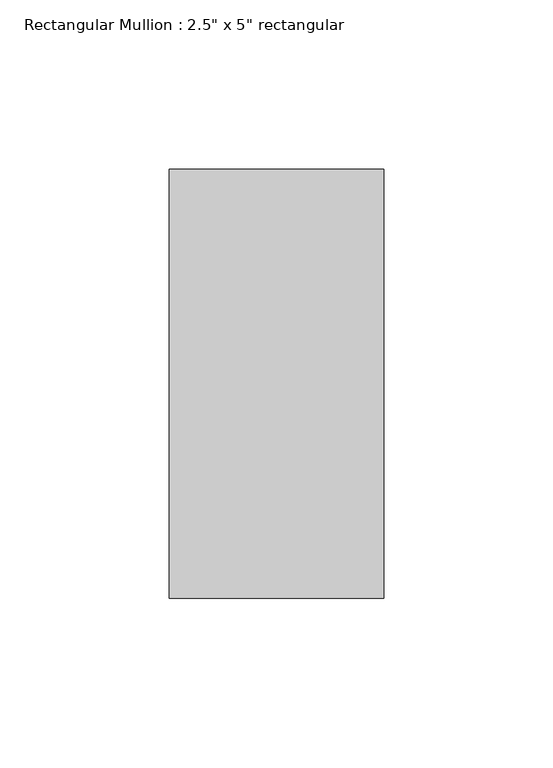
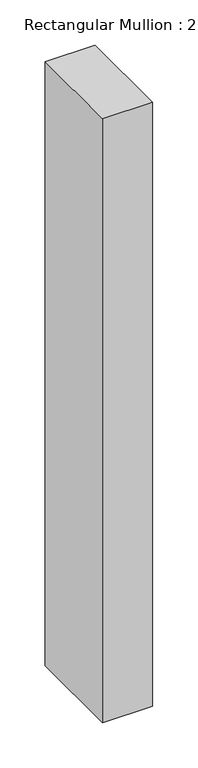
"""IFC4 building model written with IfcOpenShell, lengths in millimetres: member geometry."""

from ifc_helpers import new_model, si_unit, frame, origin, place, context, project, spatial, polyline, outline, extrude, source, transform, mapped, element, save


def member_8bafda4c(model_context):
    return source(origin(), model_context, "Body", "SweptSolid", [
        extrude(outline(polyline([(31.75, 63.5), (31.75, -63.5), (-31.75, -63.5), (-31.75, 63.5), (31.75, 63.5)])), frame((0.0, 0.0, -813.2), z_axis=(0.0, 0.0, 1.0), x_axis=(1.0, 0.0, 0.0)), (0.0, 0.0, 1.0), 813.2),
    ])


if __name__ == "__main__":
    model = new_model("IFC4")
    model_context = context("Model", 3, world=origin())
    ifc_project = project(units=[si_unit("LENGTHUNIT", "METRE", prefix="MILLI")], contexts=[model_context])
    site = spatial("IfcSite", under=ifc_project)
    building = spatial("IfcBuilding", under=site)
    placement = place(None, origin())
    member_shape = member_8bafda4c(model_context)
    element("IfcMember", 1, ObjectType="Rectangular Mullion : 2.5\" x 5\" rectangular", at=placement, inside=building, context=model_context, shape_type="MappedRepresentation", body=[
        mapped(member_shape, transform((0.0, 0.0, 0.0), x_axis=(1.0, 0.0, 0.0), y_axis=(0.0, 1.0, 0.0), z_axis=(0.0, 0.0, 1.0))),
    ])
    save(model, "model.ifc")
